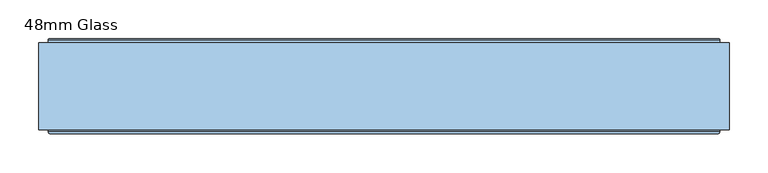
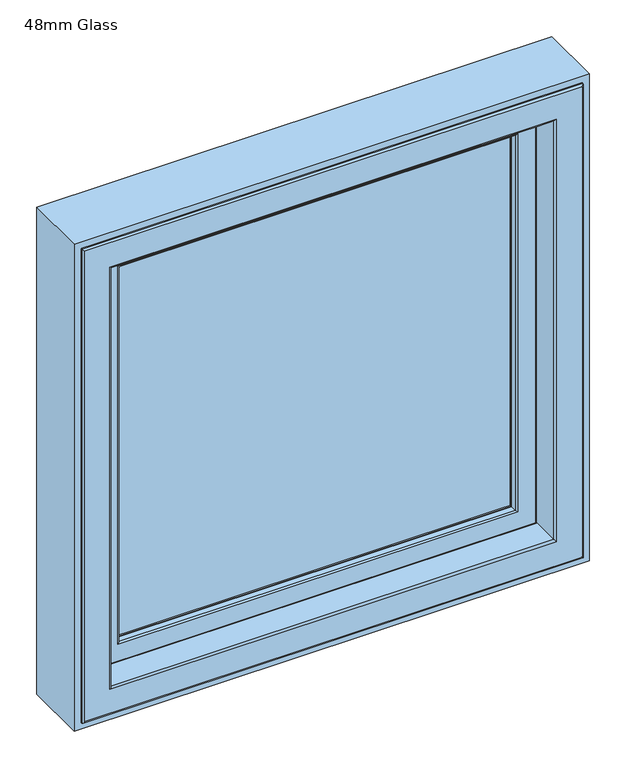
"""IFC4 building model written with IfcOpenShell, lengths in millimetres: window geometry, 48mm Glass."""

from ifc_helpers import new_model, si_unit, frame, origin, place, context, project, spatial, polyline, ellipse_curve, outline, extrude, source, transform, mapped, element, save
from ifc_brep_helpers import plane_surface, cylinder_surface, revolved_surface, advanced_brep


def window_48mm_glass_2d5801c3(model_context):
    return source(origin(), model_context, "Body", "SolidModel", [
        extrude(outline(polyline([(354.0, -35.9889902), (-354.0, -35.9889902), (-354.0, 12.0110098), (354.0, 12.0110098), (354.0, -35.9889902)])), frame((0.0, 0.0, 890.0), z_axis=(0.0, 0.0, 1.0), x_axis=(1.0, 0.0, 0.0)), (0.0, 0.0, 1.0), 708.0),
        advanced_brep(
        [(396.5, 19.6168436, 1640.5), (396.5, 16.5999985, 1640.5), (396.5, 16.5999985, 847.5), (396.5, 19.6168436, 847.5), (399.0, 24.0, 1643.0), (400.0, 23.0, 1644.0), (400.0, 23.0, 844.0), (399.0, 24.0, 845.0), (340.0012615, 12.0, 1584.0012615), (340.0012615, 13.3599713, 1584.0012615), (340.0012615, 13.3599713, 903.9987385), (340.0012615, 12.0, 903.9987385), (358.3697055, -35.9889902, 1602.3697055), (364.2620126, 12.0, 1608.2620126), (364.2620126, 12.0, 879.7379874), (358.3697055, -35.9889902, 885.6302945), (340.0013518, -38.9889902, 1584.0013518), (340.0013518, -35.9889902, 1584.0013518), (340.0013518, -35.9889902, 903.9986482), (340.0013518, -38.9889902, 903.9986482), (340.0232044, -40.1969018, 1584.0232044), (341.001352, -38.9889902, 1585.001352), (341.001352, -38.9889902, 902.998648), (340.0232044, -40.1969018, 903.9767956), (341.8120427, -48.623735, 1585.8120427), (341.8120427, -48.623735, 902.1879573), (344.7464855, -51.0, 1588.7464855), (344.7464855, -51.0, 899.2535145), (377.5618051, -49.2437387, 1621.5618051), (375.5767128, -51.0, 1619.5767128), (375.5767128, -51.0, 868.4232872), (377.5618051, -49.2437387, 866.4381949), (379.5562854, -33.0, 1623.5562854), (379.5562854, -33.0, 864.4437146), (391.0, 16.5999985, 1635.0), (391.0, -33.0, 1635.0), (391.0, -33.0, 853.0), (391.0, 16.5999985, 853.0), (-396.5, 16.5999985, 847.5), (-396.5, 19.6168436, 847.5), (-400.0, 23.0, 844.0), (-399.0, 24.0, 845.0), (-340.0012615, 13.3599713, 903.9987385), (-340.0012615, 12.0, 903.9987385), (-364.2620126, 12.0, 879.7379874), (-358.3697055, -35.9889902, 885.6302945), (-340.0013518, -35.9889902, 903.9986482), (-340.0013518, -38.9889902, 903.9986482), (-341.001352, -38.9889902, 902.998648), (-340.0232044, -40.1969018, 903.9767956), (-341.8120427, -48.623735, 902.1879573), (-344.7464855, -51.0, 899.2535145), (-375.5767128, -51.0, 868.4232872), (-377.5618051, -49.2437387, 866.4381949), (-379.5562854, -33.0, 864.4437146), (-391.0, -33.0, 853.0), (-391.0, 16.5999985, 853.0), (-396.5, 16.5999985, 1640.5), (-396.5, 19.6168436, 1640.5), (-400.0, 23.0, 1644.0), (-399.0, 24.0, 1643.0), (-340.0012615, 13.3599713, 1584.0012615), (-340.0012615, 12.0, 1584.0012615), (-364.2620126, 12.0, 1608.2620126), (-358.3697055, -35.9889902, 1602.3697055), (-340.0013518, -35.9889902, 1584.0013518), (-340.0013518, -38.9889902, 1584.0013518), (-341.001352, -38.9889902, 1585.001352), (-340.0232044, -40.1969018, 1584.0232044), (-341.8120427, -48.623735, 1585.8120427), (-344.7464855, -51.0, 1588.7464855), (-375.5767128, -51.0, 1619.5767128), (-377.5618051, -49.2437387, 1621.5618051), (-379.5562854, -33.0, 1623.5562854), (-391.0, -33.0, 1635.0), (-391.0, 16.5999985, 1635.0), (406.1997151, 20.6865589, 837.8002849), (-406.1997151, 20.6865589, 837.8002849), (-406.1997151, 20.6865589, 1650.1997151), (406.1997151, 20.6865589, 1650.1997151), (400.0, 20.6865589, 1644.0), (-400.0, 20.6865589, 1644.0), (-400.0, 20.6865589, 844.0), (400.0, 20.6865589, 844.0), (406.1997151, 19.6168436, 1650.1997151), (406.1997151, 19.6168436, 837.8002849), (-406.1997151, 19.6168436, 837.8002849), (-406.1997151, 19.6168436, 1650.1997151), (342.8249234, 22.5957532, 1586.8249234), (344.5279664, 24.0, 1588.5279664), (344.5279664, 24.0, 899.4720336), (342.8249234, 22.5957532, 901.1750766), (-344.5279664, 24.0, 899.4720336), (-342.8249234, 22.5957532, 901.1750766), (-344.5279664, 24.0, 1588.5279664), (-342.8249234, 22.5957532, 1586.8249234)],
        [
            (0, 1),
            (1, 2),
            (2, 3),
            (3, 0),
            (4, 5, ellipse_curve(frame((399.0, 23.0, 1643.0), z_axis=(0.7071067811865475, 0.0, -0.7071067811865475), x_axis=(0.7071067811865474, 0.0, 0.7071067811865476)), 1.4142136, 1.0)),
            (5, 6),
            (6, 7, ellipse_curve(frame((399.0, 23.0, 845.0), z_axis=(0.7071067811865475, 0.0, 0.7071067811865475), x_axis=(-0.7071067811865474, 0.0, 0.7071067811865476)), 1.4142136, 1.0)),
            (7, 4),
            (8, 9),
            (9, 10),
            (10, 11),
            (11, 8),
            (12, 13),
            (13, 14),
            (14, 15),
            (15, 12),
            (16, 17),
            (17, 18),
            (18, 19),
            (19, 16),
            (20, 21, ellipse_curve(frame((341.001352, -39.9889902, 1585.001352), z_axis=(0.7071067811865475, 0.0, -0.7071067811865475), x_axis=(0.7071067811865474, 0.0, 0.7071067811865476)), 1.4142136, 1.0)),
            (21, 22),
            (22, 23, ellipse_curve(frame((341.001352, -39.9889902, 902.998648), z_axis=(0.7071067811865475, 0.0, 0.7071067811865475), x_axis=(-0.7071067811865474, 0.0, 0.7071067811865476)), 1.4142136, 1.0)),
            (23, 20),
            (24, 20),
            (23, 25),
            (25, 24),
            (26, 24, ellipse_curve(frame((344.7464855, -48.0, 1588.7464855), z_axis=(0.7071067811865475, 0.0, -0.7071067811865475), x_axis=(0.7071067811865474, 0.0, 0.7071067811865476)), 4.2426407, 3.0)),
            (25, 27, ellipse_curve(frame((344.7464855, -48.0, 899.2535145), z_axis=(0.7071067811865475, 0.0, 0.7071067811865475), x_axis=(-0.7071067811865474, 0.0, 0.7071067811865476)), 4.2426407, 3.0)),
            (27, 26),
            (28, 29, ellipse_curve(frame((375.5767128, -49.0, 1619.5767128), z_axis=(0.7071067811865475, 0.0, -0.7071067811865475), x_axis=(0.7071067811865474, 0.0, 0.7071067811865476)), 2.8284271, 2.0)),
            (29, 30),
            (30, 31, ellipse_curve(frame((375.5767128, -49.0, 868.4232872), z_axis=(0.7071067811865475, 0.0, 0.7071067811865475), x_axis=(-0.7071067811865474, 0.0, 0.7071067811865476)), 2.8284271, 2.0)),
            (31, 28),
            (32, 28),
            (31, 33),
            (33, 32),
            (34, 35),
            (35, 36),
            (36, 37),
            (37, 34),
            (2, 38),
            (38, 39),
            (39, 3),
            (6, 40),
            (40, 41, ellipse_curve(frame((-399.0, 23.0, 845.0), z_axis=(0.7071067811865475, 0.0, -0.7071067811865475), x_axis=(0.7071067811865476, 0.0, 0.7071067811865474)), 1.4142136, 1.0)),
            (41, 7),
            (10, 42),
            (42, 43),
            (43, 11),
            (14, 44),
            (44, 45),
            (45, 15),
            (18, 46),
            (46, 47),
            (47, 19),
            (22, 48),
            (48, 49, ellipse_curve(frame((-341.001352, -39.9889902, 902.998648), z_axis=(0.7071067811865475, 0.0, -0.7071067811865475), x_axis=(0.7071067811865476, 0.0, 0.7071067811865474)), 1.4142136, 1.0)),
            (49, 23),
            (49, 50),
            (50, 25),
            (50, 51, ellipse_curve(frame((-344.7464855, -48.0, 899.2535145), z_axis=(0.7071067811865475, 0.0, -0.7071067811865475), x_axis=(0.7071067811865476, 0.0, 0.7071067811865474)), 4.2426407, 3.0)),
            (51, 27),
            (30, 52),
            (52, 53, ellipse_curve(frame((-375.5767128, -49.0, 868.4232872), z_axis=(0.7071067811865475, 0.0, -0.7071067811865475), x_axis=(0.7071067811865476, 0.0, 0.7071067811865474)), 2.8284271, 2.0)),
            (53, 31),
            (53, 54),
            (54, 33),
            (36, 55),
            (55, 56),
            (56, 37),
            (38, 57),
            (57, 58),
            (58, 39),
            (40, 59),
            (59, 60, ellipse_curve(frame((-399.0, 23.0, 1643.0), z_axis=(-0.7071067811865475, 0.0, -0.7071067811865475), x_axis=(0.7071067811865474, 0.0, -0.7071067811865476)), 1.4142136, 1.0)),
            (60, 41),
            (42, 61),
            (61, 62),
            (62, 43),
            (44, 63),
            (63, 64),
            (64, 45),
            (46, 65),
            (65, 66),
            (66, 47),
            (48, 67),
            (67, 68, ellipse_curve(frame((-341.001352, -39.9889902, 1585.001352), z_axis=(-0.7071067811865475, 0.0, -0.7071067811865475), x_axis=(0.7071067811865474, 0.0, -0.7071067811865476)), 1.4142136, 1.0)),
            (68, 49),
            (68, 69),
            (69, 50),
            (69, 70, ellipse_curve(frame((-344.7464855, -48.0, 1588.7464855), z_axis=(-0.7071067811865475, 0.0, -0.7071067811865475), x_axis=(0.7071067811865474, 0.0, -0.7071067811865476)), 4.2426407, 3.0)),
            (70, 51),
            (52, 71),
            (71, 72, ellipse_curve(frame((-375.5767128, -49.0, 1619.5767128), z_axis=(-0.7071067811865475, 0.0, -0.7071067811865475), x_axis=(0.7071067811865474, 0.0, -0.7071067811865476)), 2.8284271, 2.0)),
            (72, 53),
            (72, 73),
            (73, 54),
            (55, 74),
            (74, 75),
            (75, 56),
            (1, 57),
            (75, 34),
            (0, 58),
            (76, 77),
            (77, 78),
            (78, 79),
            (79, 76),
            (80, 81),
            (81, 82),
            (82, 83),
            (83, 80),
            (59, 5),
            (4, 60),
            (61, 9),
            (8, 62),
            (13, 63),
            (12, 64),
            (17, 65),
            (16, 66),
            (21, 67),
            (20, 68),
            (24, 69),
            (26, 70),
            (29, 71),
            (28, 72),
            (32, 73),
            (35, 74),
            (79, 84),
            (84, 85),
            (85, 76),
            (5, 80),
            (83, 6),
            (85, 86),
            (86, 77),
            (82, 40),
            (86, 87),
            (87, 78),
            (81, 59),
            (84, 87),
            (88, 89, ellipse_curve(frame((344.7375329, 22.0110098, 1588.7375329), z_axis=(0.7071067811865475, 0.0, -0.7071067811865475), x_axis=(0.7071067811865474, 0.0, 0.7071067811865476)), 2.8284271, 2.0)),
            (89, 90),
            (90, 91, ellipse_curve(frame((344.7375329, 22.0110098, 899.2624671), z_axis=(0.7071067811865475, 0.0, 0.7071067811865475), x_axis=(-0.7071067811865474, 0.0, 0.7071067811865476)), 2.8284271, 2.0)),
            (91, 88),
            (9, 88),
            (91, 10),
            (90, 92),
            (92, 93, ellipse_curve(frame((-344.7375329, 22.0110098, 899.2624671), z_axis=(0.7071067811865475, 0.0, -0.7071067811865475), x_axis=(0.7071067811865476, 0.0, 0.7071067811865474)), 2.8284271, 2.0)),
            (93, 91),
            (93, 42),
            (92, 94),
            (94, 95, ellipse_curve(frame((-344.7375329, 22.0110098, 1588.7375329), z_axis=(-0.7071067811865475, 0.0, -0.7071067811865475), x_axis=(0.7071067811865474, 0.0, -0.7071067811865476)), 2.8284271, 2.0)),
            (95, 93),
            (95, 61),
            (89, 94),
            (88, 95),
        ],
        [
            plane_surface(frame((396.5, 16.5999985, 1640.5), z_axis=(1.0, 0.0, 0.0), x_axis=(0.0, 0.0, -1.0))),
            cylinder_surface(frame((399.0, 23.0, 1635.0), z_axis=(0.0, 0.0, 1.0), x_axis=(0.0, -1.0, 0.0)), 1.0),
            plane_surface(frame((340.0012615, 13.3599713, 1584.0012615), z_axis=(-1.0, 0.0, 0.0), x_axis=(0.0, 0.0, -1.0))),
            plane_surface(frame((364.2620126, 12.0, 1608.2620126), z_axis=(-0.9925461516413232, 0.12186934340513839, 0.0), x_axis=(0.0, 0.0, -1.0))),
            plane_surface(frame((340.0013518, -35.9889902, 1584.0013518), z_axis=(-1.0, 0.0, 0.0), x_axis=(0.0, 0.0, -1.0))),
            cylinder_surface(frame((341.001352, -39.9889902, 1635.0), z_axis=(0.0, 0.0, 1.0), x_axis=(0.0, -1.0, 0.0)), 1.0),
            plane_surface(frame((340.0232044, -40.1969018, 1584.0232044), z_axis=(-0.9782028159557521, -0.2076517538000511, 0.0), x_axis=(0.0, 0.0, -1.0))),
            cylinder_surface(frame((344.7464855, -48.0, 1635.0), z_axis=(0.0, 0.0, 1.0), x_axis=(0.0, -1.0, 0.0)), 3.0),
            cylinder_surface(frame((375.5767128, -49.0, 1635.0), z_axis=(0.0, 0.0, 1.0), x_axis=(0.0, -1.0, 0.0)), 2.0),
            plane_surface(frame((377.5618051, -49.2437387, 1621.5618051), z_axis=(0.9925461516416152, -0.12186934340276044, 0.0), x_axis=(0.0, 0.0, -1.0))),
            plane_surface(frame((391.0, -33.0, 1635.0), z_axis=(1.0, 0.0, 0.0), x_axis=(0.0, 0.0, -1.0))),
            plane_surface(frame((396.5, 16.5999985, 847.5), z_axis=(0.0, 0.0, -1.0), x_axis=(-1.0, 0.0, 0.0))),
            cylinder_surface(frame((391.0, 23.0, 845.0), z_axis=(1.0, 0.0, 0.0), x_axis=(0.0, -1.0, 0.0)), 1.0),
            plane_surface(frame((340.0012615, 13.3599713, 903.9987385), z_axis=(0.0, 0.0, 1.0), x_axis=(-1.0, 0.0, 0.0))),
            plane_surface(frame((364.2620126, 12.0, 879.7379874), z_axis=(0.0, 0.12186934340513839, 0.9925461516413232), x_axis=(-1.0, 0.0, 0.0))),
            plane_surface(frame((340.0013518, -35.9889902, 903.9986482), z_axis=(0.0, 0.0, 1.0), x_axis=(-1.0, 0.0, 0.0))),
            cylinder_surface(frame((391.0, -39.9889902, 902.998648), z_axis=(1.0, 0.0, 0.0), x_axis=(0.0, -1.0, 0.0)), 1.0),
            plane_surface(frame((340.0232044, -40.1969018, 903.9767956), z_axis=(0.0, -0.2076517538000511, 0.9782028159557521), x_axis=(-1.0, 0.0, 0.0))),
            cylinder_surface(frame((391.0, -48.0, 899.2535145), z_axis=(1.0, 0.0, 0.0), x_axis=(0.0, -1.0, 0.0)), 3.0),
            cylinder_surface(frame((391.0, -49.0, 868.4232872), z_axis=(1.0, 0.0, 0.0), x_axis=(0.0, -1.0, 0.0)), 2.0),
            plane_surface(frame((377.5618051, -49.2437387, 866.4381949), z_axis=(0.0, -0.12186934340276044, -0.9925461516416152), x_axis=(-1.0, 0.0, 0.0))),
            plane_surface(frame((391.0, -33.0, 853.0), z_axis=(0.0, 0.0, -1.0), x_axis=(-1.0, 0.0, 0.0))),
            plane_surface(frame((-396.5, 16.5999985, 847.5), z_axis=(-1.0, 0.0, 0.0), x_axis=(0.0, 0.0, 1.0))),
            cylinder_surface(frame((-399.0, 23.0, 853.0), z_axis=(0.0, 0.0, -1.0), x_axis=(0.0, -1.0, 0.0)), 1.0),
            plane_surface(frame((-340.0012615, 13.3599713, 903.9987385), z_axis=(1.0, 0.0, 0.0), x_axis=(0.0, 0.0, 1.0))),
            plane_surface(frame((-364.2620126, 12.0, 879.7379874), z_axis=(0.9925461516413232, 0.12186934340513839, 0.0), x_axis=(0.0, 0.0, 1.0))),
            plane_surface(frame((-340.0013518, -35.9889902, 903.9986482), z_axis=(1.0, 0.0, 0.0), x_axis=(0.0, 0.0, 1.0))),
            cylinder_surface(frame((-341.001352, -39.9889902, 853.0), z_axis=(0.0, 0.0, -1.0), x_axis=(0.0, -1.0, 0.0)), 1.0),
            plane_surface(frame((-340.0232044, -40.1969018, 903.9767956), z_axis=(0.9782028159557521, -0.2076517538000511, 0.0), x_axis=(0.0, 0.0, 1.0))),
            cylinder_surface(frame((-344.7464855, -48.0, 853.0), z_axis=(0.0, 0.0, -1.0), x_axis=(0.0, -1.0, 0.0)), 3.0),
            cylinder_surface(frame((-375.5767128, -49.0, 853.0), z_axis=(0.0, 0.0, -1.0), x_axis=(0.0, -1.0, 0.0)), 2.0),
            plane_surface(frame((-377.5618051, -49.2437387, 866.4381949), z_axis=(-0.9925461516416152, -0.12186934340276044, 0.0), x_axis=(0.0, 0.0, 1.0))),
            plane_surface(frame((-391.0, -33.0, 853.0), z_axis=(-1.0, 0.0, 0.0), x_axis=(0.0, 0.0, 1.0))),
            plane_surface(frame((-391.0, 16.5999985, 1635.0), z_axis=(0.0, -1.0, 0.0), x_axis=(1.0, 0.0, 0.0))),
            plane_surface(frame((-396.5, 16.5999985, 1640.5), z_axis=(0.0, 0.0, 1.0), x_axis=(1.0, 0.0, 0.0))),
            plane_surface(frame((-406.1997151, 20.6865589, 1650.1997151), z_axis=(0.0, 1.0, 0.0), x_axis=(1.0, 0.0, 0.0))),
            cylinder_surface(frame((-391.0, 23.0, 1643.0), z_axis=(-1.0, 0.0, 0.0), x_axis=(0.0, -1.0, 0.0)), 1.0),
            plane_surface(frame((-340.0012615, 13.3599713, 1584.0012615), z_axis=(0.0, 0.0, -1.0), x_axis=(1.0, 0.0, 0.0))),
            plane_surface(frame((-340.0012615, 12.0, 1584.0012615), z_axis=(0.0, -1.0, 0.0), x_axis=(1.0, 0.0, 0.0))),
            plane_surface(frame((-364.2620126, 12.0, 1608.2620126), z_axis=(0.0, 0.12186934340513839, -0.9925461516413232), x_axis=(1.0, 0.0, 0.0))),
            plane_surface(frame((-358.3697055, -35.9889902, 1602.3697055), z_axis=(0.0, 1.0, 0.0), x_axis=(1.0, 0.0, 0.0))),
            plane_surface(frame((-340.0013518, -35.9889902, 1584.0013518), z_axis=(0.0, 0.0, -1.0), x_axis=(1.0, 0.0, 0.0))),
            plane_surface(frame((-340.0013518, -38.9889902, 1584.0013518), z_axis=(0.0, -1.0, 0.0), x_axis=(1.0, 0.0, 0.0))),
            cylinder_surface(frame((-391.0, -39.9889902, 1585.001352), z_axis=(-1.0, 0.0, 0.0), x_axis=(0.0, -1.0, 0.0)), 1.0),
            plane_surface(frame((-340.0232044, -40.1969018, 1584.0232044), z_axis=(0.0, -0.2076517538000511, -0.9782028159557521), x_axis=(1.0, 0.0, 0.0))),
            cylinder_surface(frame((-391.0, -48.0, 1588.7464855), z_axis=(-1.0, 0.0, 0.0), x_axis=(0.0, -1.0, 0.0)), 3.0),
            plane_surface(frame((-344.7464855, -51.0, 1588.7464855), z_axis=(0.0, -1.0, 0.0), x_axis=(1.0, 0.0, 0.0))),
            cylinder_surface(frame((-391.0, -49.0, 1619.5767128), z_axis=(-1.0, 0.0, 0.0), x_axis=(0.0, -1.0, 0.0)), 2.0),
            plane_surface(frame((-377.5618051, -49.2437387, 1621.5618051), z_axis=(0.0, -0.12186934340276044, 0.9925461516416152), x_axis=(1.0, 0.0, 0.0))),
            plane_surface(frame((-379.5562854, -33.0, 1623.5562854), z_axis=(0.0, -1.0, 0.0), x_axis=(1.0, 0.0, 0.0))),
            plane_surface(frame((-391.0, -33.0, 1635.0), z_axis=(0.0, 0.0, 1.0), x_axis=(1.0, 0.0, 0.0))),
            plane_surface(frame((406.1997151, 19.6168436, 1650.1997151), z_axis=(1.0, 0.0, 0.0), x_axis=(0.0, 0.0, -1.0))),
            plane_surface(frame((400.0, 20.6865589, 1644.0), z_axis=(1.0, 0.0, 0.0), x_axis=(0.0, 0.0, -1.0))),
            plane_surface(frame((406.1997151, 19.6168436, 837.8002849), z_axis=(0.0, 0.0, -1.0), x_axis=(-1.0, 0.0, 0.0))),
            plane_surface(frame((400.0, 20.6865589, 844.0), z_axis=(0.0, 0.0, -1.0), x_axis=(-1.0, 0.0, 0.0))),
            plane_surface(frame((-406.1997151, 19.6168436, 837.8002849), z_axis=(-1.0, 0.0, 0.0), x_axis=(0.0, 0.0, 1.0))),
            plane_surface(frame((-400.0, 20.6865589, 844.0), z_axis=(-1.0, 0.0, 0.0), x_axis=(0.0, 0.0, 1.0))),
            plane_surface(frame((-396.5, 19.6168436, 1640.5), z_axis=(0.0, -1.0, 0.0), x_axis=(1.0, 0.0, 0.0))),
            plane_surface(frame((-406.1997151, 19.6168436, 1650.1997151), z_axis=(0.0, 0.0, 1.0), x_axis=(1.0, 0.0, 0.0))),
            plane_surface(frame((-400.0, 20.6865589, 1644.0), z_axis=(0.0, 0.0, 1.0), x_axis=(1.0, 0.0, 0.0))),
            cylinder_surface(frame((344.7375329, 22.0110098, 1635.0), z_axis=(0.0, 0.0, 1.0), x_axis=(0.0, -1.0, 0.0)), 2.0),
            plane_surface(frame((342.8249234, 22.5957532, 1586.8249234), z_axis=(-0.9563047559630313, 0.2923717047227505, 0.0), x_axis=(0.0, 0.0, -1.0))),
            cylinder_surface(frame((391.0, 22.0110098, 899.2624671), z_axis=(1.0, 0.0, 0.0), x_axis=(0.0, -1.0, 0.0)), 2.0),
            plane_surface(frame((342.8249234, 22.5957532, 901.1750766), z_axis=(0.0, 0.2923717047227505, 0.9563047559630313), x_axis=(-1.0, 0.0, 0.0))),
            cylinder_surface(frame((-344.7375329, 22.0110098, 853.0), z_axis=(0.0, 0.0, -1.0), x_axis=(0.0, -1.0, 0.0)), 2.0),
            plane_surface(frame((-342.8249234, 22.5957532, 901.1750766), z_axis=(0.9563047559630313, 0.2923717047227505, 0.0), x_axis=(0.0, 0.0, 1.0))),
            plane_surface(frame((-399.0, 24.0, 1643.0), z_axis=(0.0, 1.0, 0.0), x_axis=(1.0, 0.0, 0.0))),
            cylinder_surface(frame((-391.0, 22.0110098, 1588.7375329), z_axis=(-1.0, 0.0, 0.0), x_axis=(0.0, -1.0, 0.0)), 2.0),
            plane_surface(frame((-342.8249234, 22.5957532, 1586.8249234), z_axis=(0.0, 0.2923717047227505, -0.9563047559630313), x_axis=(1.0, 0.0, 0.0))),
        ],
        [
            (0, [[1, 2, 3, 4]]),
            (1, [[5, 6, 7, 8]]),
            (2, [[9, 10, 11, 12]]),
            (3, [[13, 14, 15, 16]]),
            (4, [[17, 18, 19, 20]]),
            (5, [[21, 22, 23, 24]]),
            (6, [[25, -24, 26, 27]]),
            (7, [[28, -27, 29, 30]]),
            (8, [[31, 32, 33, 34]]),
            (9, [[35, -34, 36, 37]]),
            (10, [[38, 39, 40, 41]]),
            (11, [[-3, 42, 43, 44]]),
            (12, [[-7, 45, 46, 47]]),
            (13, [[-11, 48, 49, 50]]),
            (14, [[-15, 51, 52, 53]]),
            (15, [[-19, 54, 55, 56]]),
            (16, [[-23, 57, 58, 59]]),
            (17, [[-26, -59, 60, 61]]),
            (18, [[-29, -61, 62, 63]]),
            (19, [[-33, 64, 65, 66]]),
            (20, [[-36, -66, 67, 68]]),
            (21, [[-40, 69, 70, 71]]),
            (22, [[-43, 72, 73, 74]]),
            (23, [[-46, 75, 76, 77]]),
            (24, [[-49, 78, 79, 80]]),
            (25, [[-52, 81, 82, 83]]),
            (26, [[-55, 84, 85, 86]]),
            (27, [[-58, 87, 88, 89]]),
            (28, [[-60, -89, 90, 91]]),
            (29, [[-62, -91, 92, 93]]),
            (30, [[-65, 94, 95, 96]]),
            (31, [[-67, -96, 97, 98]]),
            (32, [[-70, 99, 100, 101]]),
            (33, [[102, -72, -42, -2], [-71, -101, 103, -41]]),
            (34, [[-73, -102, -1, 104]]),
            (35, [[105, 106, 107, 108], [109, 110, 111, 112]]),
            (36, [[-76, 113, -5, 114]]),
            (37, [[-79, 115, -9, 116]]),
            (38, [[117, -81, -51, -14], [-50, -80, -116, -12]]),
            (39, [[-82, -117, -13, 118]]),
            (40, [[-53, -83, -118, -16], [119, -84, -54, -18]]),
            (41, [[-85, -119, -17, 120]]),
            (42, [[121, -87, -57, -22], [-56, -86, -120, -20]]),
            (43, [[-88, -121, -21, 122]]),
            (44, [[-90, -122, -25, 123]]),
            (45, [[-92, -123, -28, 124]]),
            (46, [[125, -94, -64, -32], [-63, -93, -124, -30]]),
            (47, [[-95, -125, -31, 126]]),
            (48, [[-97, -126, -35, 127]]),
            (49, [[128, -99, -69, -39], [-68, -98, -127, -37]]),
            (50, [[-100, -128, -38, -103]]),
            (51, [[129, 130, 131, -108]]),
            (52, [[132, -112, 133, -6]]),
            (53, [[-131, 134, 135, -105]]),
            (54, [[-133, -111, 136, -45]]),
            (55, [[-135, 137, 138, -106]]),
            (56, [[-136, -110, 139, -75]]),
            (57, [[140, -137, -134, -130], [-44, -74, -104, -4]]),
            (58, [[-138, -140, -129, -107]]),
            (59, [[-139, -109, -132, -113]]),
            (60, [[141, 142, 143, 144]]),
            (61, [[145, -144, 146, -10]]),
            (62, [[-143, 147, 148, 149]]),
            (63, [[-146, -149, 150, -48]]),
            (64, [[-148, 151, 152, 153]]),
            (65, [[-150, -153, 154, -78]]),
            (66, [[-47, -77, -114, -8], [155, -151, -147, -142]]),
            (67, [[-152, -155, -141, 156]]),
            (68, [[-154, -156, -145, -115]]),
        ],
    ),
        advanced_brep(
        [(-383.5, -38.0, 1627.5), (-382.0, -39.5, 1626.0), (-382.0, -39.5, 862.0), (-383.5, -38.0, 860.5), (-382.0, -94.0, 1626.0), (-382.0, -94.0, 862.0), (382.0, -39.5, 862.0), (383.5, -38.0, 860.5), (398.6498733, -38.0, 1642.6498733), (398.6498733, -38.0, 845.3501267), (-398.6498733, -38.0, 845.3501267), (-398.6498733, -38.0, 1642.6498733), (383.5, -38.0, 1627.5), (-400.1386925, -36.682804, 1644.1386925), (-400.1386925, -36.682804, 843.8613075), (400.1386925, -36.682804, 843.8613075), (-406.7857488, 17.453125, 1650.7857488), (-406.7857488, 17.453125, 837.2142512), (406.7857488, 17.453125, 837.2142512), (407.6, 17.453125, 1651.6), (407.6, 17.453125, 836.4), (-407.6, 17.453125, 836.4), (-407.6, 17.453125, 1651.6), (406.7857488, 17.453125, 1650.7857488), (-407.6, 24.0, 1651.6), (-407.6, 24.0, 836.4), (407.6, 24.0, 836.4), (-408.6, 25.0, 1652.6), (-408.6, 25.0, 835.4), (408.6, 25.0, 835.4), (431.0, 25.0, 1675.0), (431.0, 25.0, 813.0), (-431.0, 25.0, 813.0), (-431.0, 25.0, 1675.0), (408.6, 25.0, 1652.6), (-432.0, 24.0, 1676.0), (-432.0, 24.0, 812.0), (432.0, 24.0, 812.0), (-432.0, -94.0, 1676.0), (-432.0, -94.0, 812.0), (432.0, -94.0, 812.0), (-429.0, -97.0, 1673.0), (-429.0, -97.0, 815.0), (429.0, -97.0, 815.0), (429.0, -97.0, 1673.0), (385.0, -97.0, 1629.0), (385.0, -97.0, 859.0), (-385.0, -97.0, 859.0), (-385.0, -97.0, 1629.0), (382.0, -94.0, 862.0), (382.0, -39.5, 1626.0), (400.1386925, -36.682804, 1644.1386925), (407.6, 24.0, 1651.6), (432.0, 24.0, 1676.0), (432.0, -94.0, 1676.0), (382.0, -94.0, 1626.0)],
        [
            (0, 1, ellipse_curve(frame((-383.5, -39.5, 1627.5), z_axis=(-0.7071067811865475, 0.0, -0.7071067811865475), x_axis=(-0.7071067811865474, 0.0, 0.7071067811865476)), 2.1213203, 1.5)),
            (1, 2),
            (2, 3, ellipse_curve(frame((-383.5, -39.5, 860.5), z_axis=(-0.7071067811865475, 0.0, 0.7071067811865475), x_axis=(0.7071067811865474, 0.0, 0.7071067811865476)), 2.1213203, 1.5)),
            (3, 0),
            (1, 4),
            (4, 5),
            (5, 2),
            (2, 6),
            (6, 7, ellipse_curve(frame((383.5, -39.5, 860.5), z_axis=(-0.7071067811865475, 0.0, -0.7071067811865475), x_axis=(-0.7071067811865476, 0.0, 0.7071067811865474)), 2.1213203, 1.5)),
            (7, 3),
            (8, 9),
            (9, 10),
            (10, 11),
            (11, 8),
            (7, 12),
            (12, 0),
            (13, 11, ellipse_curve(frame((-398.6498733, -36.5, 1642.6498733), z_axis=(0.7071067811865475, 0.0, 0.7071067811865475), x_axis=(0.7071067811865474, 0.0, -0.7071067811865476)), 2.1213203, 1.5)),
            (10, 14, ellipse_curve(frame((-398.6498733, -36.5, 845.3501267), z_axis=(0.7071067811865475, 0.0, -0.7071067811865475), x_axis=(-0.7071067811865474, 0.0, -0.7071067811865476)), 2.1213203, 1.5)),
            (14, 13),
            (9, 15, ellipse_curve(frame((398.6498733, -36.5, 845.3501267), z_axis=(0.7071067811865475, 0.0, 0.7071067811865475), x_axis=(0.7071067811865476, 0.0, -0.7071067811865474)), 2.1213203, 1.5)),
            (15, 14),
            (16, 13),
            (14, 17),
            (17, 16),
            (15, 18),
            (18, 17),
            (19, 20),
            (20, 21),
            (21, 22),
            (22, 19),
            (18, 23),
            (23, 16),
            (24, 22),
            (21, 25),
            (25, 24),
            (20, 26),
            (26, 25),
            (27, 24, ellipse_curve(frame((-408.6, 24.0, 1652.6), z_axis=(-0.7071067811865475, 0.0, -0.7071067811865475), x_axis=(-0.7071067811865474, 0.0, 0.7071067811865476)), 1.4142136, 1.0)),
            (25, 28, ellipse_curve(frame((-408.6, 24.0, 835.4), z_axis=(-0.7071067811865475, 0.0, 0.7071067811865475), x_axis=(0.7071067811865474, 0.0, 0.7071067811865476)), 1.4142136, 1.0)),
            (28, 27),
            (26, 29, ellipse_curve(frame((408.6, 24.0, 835.4), z_axis=(-0.7071067811865475, 0.0, -0.7071067811865475), x_axis=(-0.7071067811865476, 0.0, 0.7071067811865474)), 1.4142136, 1.0)),
            (29, 28),
            (30, 31),
            (31, 32),
            (32, 33),
            (33, 30),
            (29, 34),
            (34, 27),
            (35, 33, ellipse_curve(frame((-431.0, 24.0, 1675.0), z_axis=(-0.7071067811865475, 0.0, -0.7071067811865475), x_axis=(-0.7071067811865474, 0.0, 0.7071067811865476)), 1.4142136, 1.0)),
            (32, 36, ellipse_curve(frame((-431.0, 24.0, 813.0), z_axis=(-0.7071067811865475, 0.0, 0.7071067811865475), x_axis=(0.7071067811865474, 0.0, 0.7071067811865476)), 1.4142136, 1.0)),
            (36, 35),
            (31, 37, ellipse_curve(frame((431.0, 24.0, 813.0), z_axis=(-0.7071067811865475, 0.0, -0.7071067811865475), x_axis=(-0.7071067811865476, 0.0, 0.7071067811865474)), 1.4142136, 1.0)),
            (37, 36),
            (38, 35),
            (36, 39),
            (39, 38),
            (37, 40),
            (40, 39),
            (41, 38, ellipse_curve(frame((-429.0, -94.0, 1673.0), z_axis=(-0.7071067811865475, 0.0, -0.7071067811865475), x_axis=(-0.7071067811865474, 0.0, 0.7071067811865476)), 4.2426407, 3.0)),
            (39, 42, ellipse_curve(frame((-429.0, -94.0, 815.0), z_axis=(-0.7071067811865475, 0.0, 0.7071067811865475), x_axis=(0.7071067811865474, 0.0, 0.7071067811865476)), 4.2426407, 3.0)),
            (42, 41),
            (40, 43, ellipse_curve(frame((429.0, -94.0, 815.0), z_axis=(-0.7071067811865475, 0.0, -0.7071067811865475), x_axis=(-0.7071067811865476, 0.0, 0.7071067811865474)), 4.2426407, 3.0)),
            (43, 42),
            (43, 44),
            (44, 41),
            (45, 46),
            (46, 47),
            (47, 48),
            (48, 45),
            (4, 48, ellipse_curve(frame((-385.0, -94.0, 1629.0), z_axis=(-0.7071067811865475, 0.0, -0.7071067811865475), x_axis=(-0.7071067811865474, 0.0, 0.7071067811865476)), 4.2426407, 3.0)),
            (47, 5, ellipse_curve(frame((-385.0, -94.0, 859.0), z_axis=(-0.7071067811865475, 0.0, 0.7071067811865475), x_axis=(0.7071067811865474, 0.0, 0.7071067811865476)), 4.2426407, 3.0)),
            (46, 49, ellipse_curve(frame((385.0, -94.0, 859.0), z_axis=(-0.7071067811865475, 0.0, -0.7071067811865475), x_axis=(-0.7071067811865476, 0.0, 0.7071067811865474)), 4.2426407, 3.0)),
            (49, 5),
            (49, 6),
            (6, 50),
            (50, 12, ellipse_curve(frame((383.5, -39.5, 1627.5), z_axis=(0.7071067811865475, 0.0, -0.7071067811865475), x_axis=(-0.7071067811865474, 0.0, -0.7071067811865476)), 2.1213203, 1.5)),
            (8, 51, ellipse_curve(frame((398.6498733, -36.5, 1642.6498733), z_axis=(-0.7071067811865475, 0.0, 0.7071067811865475), x_axis=(0.7071067811865474, 0.0, 0.7071067811865476)), 2.1213203, 1.5)),
            (51, 15),
            (51, 23),
            (19, 52),
            (52, 26),
            (52, 34, ellipse_curve(frame((408.6, 24.0, 1652.6), z_axis=(0.7071067811865475, 0.0, -0.7071067811865475), x_axis=(-0.7071067811865474, 0.0, -0.7071067811865476)), 1.4142136, 1.0)),
            (30, 53, ellipse_curve(frame((431.0, 24.0, 1675.0), z_axis=(0.7071067811865475, 0.0, -0.7071067811865475), x_axis=(-0.7071067811865474, 0.0, -0.7071067811865476)), 1.4142136, 1.0)),
            (53, 37),
            (53, 54),
            (54, 40),
            (54, 44, ellipse_curve(frame((429.0, -94.0, 1673.0), z_axis=(0.7071067811865475, 0.0, -0.7071067811865475), x_axis=(-0.7071067811865474, 0.0, -0.7071067811865476)), 4.2426407, 3.0)),
            (45, 55, ellipse_curve(frame((385.0, -94.0, 1629.0), z_axis=(0.7071067811865475, 0.0, -0.7071067811865475), x_axis=(-0.7071067811865474, 0.0, -0.7071067811865476)), 4.2426407, 3.0)),
            (55, 49),
            (55, 50),
            (50, 1),
            (13, 51),
            (24, 52),
            (35, 53),
            (38, 54),
            (4, 55),
        ],
        [
            cylinder_surface(frame((-383.5, -39.5, 1688.0), z_axis=(0.0, 0.0, 1.0), x_axis=(0.0, 1.0, 0.0)), 1.5),
            plane_surface(frame((-382.0, -94.0, 1626.0), z_axis=(1.0, 0.0, 0.0), x_axis=(0.0, 0.0, -1.0))),
            cylinder_surface(frame((-444.0, -39.5, 860.5), z_axis=(-1.0, 0.0, 0.0), x_axis=(0.0, 1.0, 0.0)), 1.5),
            plane_surface(frame((383.5, -38.0, 860.5), z_axis=(0.0, 1.0, 0.0), x_axis=(0.0, 0.0, 1.0))),
            revolved_surface(polyline([(-398.6498733, -35.0, 843.8501267308013), (-398.6498733, -35.0, 1644.1498732691987)]), (-398.6498733, -36.5, 1688.0), (0.0, 0.0, -1.0)),
            revolved_surface(polyline([(400.1498732691988, -35.0, 845.3501267), (-400.1498732691987, -35.0, 845.3501267)]), (-444.0, -36.5, 845.3501267), (1.0, 0.0, 0.0)),
            plane_surface(frame((-400.1386925, -36.682804, 1644.1386925), z_axis=(0.9925461516413234, 0.12186934340513698, 0.0), x_axis=(0.0, 0.0, -1.0))),
            plane_surface(frame((-400.1386925, -36.682804, 843.8613075), z_axis=(0.0, 0.12186934340513698, 0.9925461516413234), x_axis=(1.0, 0.0, 0.0))),
            plane_surface(frame((406.7857488, 17.453125, 837.2142512), z_axis=(0.0, 1.0, 0.0), x_axis=(0.0, 0.0, 1.0))),
            plane_surface(frame((-407.6, 17.453125, 1651.6), z_axis=(1.0, 0.0, 0.0), x_axis=(0.0, 0.0, -1.0))),
            plane_surface(frame((-407.6, 17.453125, 836.4), z_axis=(0.0, 0.0, 1.0), x_axis=(1.0, 0.0, 0.0))),
            cylinder_surface(frame((-408.6, 24.0, 1688.0), z_axis=(0.0, 0.0, 1.0), x_axis=(0.0, 1.0, 0.0)), 1.0),
            cylinder_surface(frame((-444.0, 24.0, 835.4), z_axis=(-1.0, 0.0, 0.0), x_axis=(0.0, 1.0, 0.0)), 1.0),
            plane_surface(frame((408.6, 25.0, 835.4), z_axis=(0.0, 1.0, 0.0), x_axis=(0.0, 0.0, 1.0))),
            cylinder_surface(frame((-431.0, 24.0, 1688.0), z_axis=(0.0, 0.0, 1.0), x_axis=(0.0, 1.0, 0.0)), 1.0),
            cylinder_surface(frame((-444.0, 24.0, 813.0), z_axis=(-1.0, 0.0, 0.0), x_axis=(0.0, 1.0, 0.0)), 1.0),
            plane_surface(frame((-432.0, 24.0, 1676.0), z_axis=(-1.0, 0.0, 0.0), x_axis=(0.0, 0.0, -1.0))),
            plane_surface(frame((-432.0, 24.0, 812.0), z_axis=(0.0, 0.0, -1.0), x_axis=(1.0, 0.0, 0.0))),
            cylinder_surface(frame((-429.0, -94.0, 1688.0), z_axis=(0.0, 0.0, 1.0), x_axis=(0.0, 1.0, 0.0)), 3.0),
            cylinder_surface(frame((-444.0, -94.0, 815.0), z_axis=(-1.0, 0.0, 0.0), x_axis=(0.0, 1.0, 0.0)), 3.0),
            plane_surface(frame((429.0, -97.0, 815.0), z_axis=(0.0, -1.0, 0.0), x_axis=(0.0, 0.0, 1.0))),
            cylinder_surface(frame((-385.0, -94.0, 1688.0), z_axis=(0.0, 0.0, 1.0), x_axis=(0.0, 1.0, 0.0)), 3.0),
            cylinder_surface(frame((-444.0, -94.0, 859.0), z_axis=(-1.0, 0.0, 0.0), x_axis=(0.0, 1.0, 0.0)), 3.0),
            plane_surface(frame((-382.0, -94.0, 862.0), z_axis=(0.0, 0.0, 1.0), x_axis=(1.0, 0.0, 0.0))),
            cylinder_surface(frame((383.5, -39.5, 800.0), z_axis=(0.0, 0.0, -1.0), x_axis=(0.0, 1.0, 0.0)), 1.5),
            revolved_surface(polyline([(398.6498733, -35.0, 1644.149873269199), (398.6498733, -35.0, 843.8501267308013)]), (398.6498733, -36.5, 800.0), (0.0, 0.0, 1.0)),
            plane_surface(frame((400.1386925, -36.682804, 843.8613075), z_axis=(-0.9925461516413234, 0.12186934340513698, 0.0), x_axis=(0.0, 0.0, 1.0))),
            plane_surface(frame((407.6, 17.453125, 836.4), z_axis=(-1.0, 0.0, 0.0), x_axis=(0.0, 0.0, 1.0))),
            cylinder_surface(frame((408.6, 24.0, 800.0), z_axis=(0.0, 0.0, -1.0), x_axis=(0.0, 1.0, 0.0)), 1.0),
            cylinder_surface(frame((431.0, 24.0, 800.0), z_axis=(0.0, 0.0, -1.0), x_axis=(0.0, 1.0, 0.0)), 1.0),
            plane_surface(frame((432.0, 24.0, 812.0), z_axis=(1.0, 0.0, 0.0), x_axis=(0.0, 0.0, 1.0))),
            cylinder_surface(frame((429.0, -94.0, 800.0), z_axis=(0.0, 0.0, -1.0), x_axis=(0.0, 1.0, 0.0)), 3.0),
            cylinder_surface(frame((385.0, -94.0, 800.0), z_axis=(0.0, 0.0, -1.0), x_axis=(0.0, 1.0, 0.0)), 3.0),
            plane_surface(frame((382.0, -94.0, 862.0), z_axis=(-1.0, 0.0, 0.0), x_axis=(0.0, 0.0, 1.0))),
            cylinder_surface(frame((444.0, -39.5, 1627.5), z_axis=(1.0, 0.0, 0.0), x_axis=(0.0, 1.0, 0.0)), 1.5),
            revolved_surface(polyline([(-400.1498732691988, -35.0, 1642.6498733), (400.1498732691987, -35.0, 1642.6498733)]), (444.0, -36.5, 1642.6498733), (-1.0, 0.0, 0.0)),
            plane_surface(frame((400.1386925, -36.682804, 1644.1386925), z_axis=(0.0, 0.12186934340513698, -0.9925461516413234), x_axis=(-1.0, 0.0, 0.0))),
            plane_surface(frame((407.6, 17.453125, 1651.6), z_axis=(0.0, 0.0, -1.0), x_axis=(-1.0, 0.0, 0.0))),
            cylinder_surface(frame((444.0, 24.0, 1652.6), z_axis=(1.0, 0.0, 0.0), x_axis=(0.0, 1.0, 0.0)), 1.0),
            cylinder_surface(frame((444.0, 24.0, 1675.0), z_axis=(1.0, 0.0, 0.0), x_axis=(0.0, 1.0, 0.0)), 1.0),
            plane_surface(frame((432.0, 24.0, 1676.0), z_axis=(0.0, 0.0, 1.0), x_axis=(-1.0, 0.0, 0.0))),
            cylinder_surface(frame((444.0, -94.0, 1673.0), z_axis=(1.0, 0.0, 0.0), x_axis=(0.0, 1.0, 0.0)), 3.0),
            cylinder_surface(frame((444.0, -94.0, 1629.0), z_axis=(1.0, 0.0, 0.0), x_axis=(0.0, 1.0, 0.0)), 3.0),
            plane_surface(frame((382.0, -94.0, 1626.0), z_axis=(0.0, 0.0, -1.0), x_axis=(-1.0, 0.0, 0.0))),
        ],
        [
            (0, [[1, 2, 3, 4]]),
            (1, [[5, 6, 7, -2]]),
            (2, [[-3, 8, 9, 10]]),
            (3, [[11, 12, 13, 14], [-4, -10, 15, 16]]),
            (4, [[17, -13, 18, 19]]),
            (5, [[-18, -12, 20, 21]]),
            (6, [[22, -19, 23, 24]]),
            (7, [[-23, -21, 25, 26]]),
            (8, [[27, 28, 29, 30], [-24, -26, 31, 32]]),
            (9, [[33, -29, 34, 35]]),
            (10, [[-34, -28, 36, 37]]),
            (11, [[38, -35, 39, 40]]),
            (12, [[-39, -37, 41, 42]]),
            (13, [[43, 44, 45, 46], [-40, -42, 47, 48]]),
            (14, [[49, -45, 50, 51]]),
            (15, [[-50, -44, 52, 53]]),
            (16, [[54, -51, 55, 56]]),
            (17, [[-55, -53, 57, 58]]),
            (18, [[59, -56, 60, 61]]),
            (19, [[-60, -58, 62, 63]]),
            (20, [[-61, -63, 64, 65], [66, 67, 68, 69]]),
            (21, [[70, -68, 71, -6]]),
            (22, [[-71, -67, 72, 73]]),
            (23, [[-7, -73, 74, -8]]),
            (24, [[-9, 75, 76, -15]]),
            (25, [[-20, -11, 77, 78]]),
            (26, [[-25, -78, 79, -31]]),
            (27, [[-36, -27, 80, 81]]),
            (28, [[-41, -81, 82, -47]]),
            (29, [[-52, -43, 83, 84]]),
            (30, [[-57, -84, 85, 86]]),
            (31, [[-62, -86, 87, -64]]),
            (32, [[-72, -66, 88, 89]]),
            (33, [[-74, -89, 90, -75]]),
            (34, [[-76, 91, -1, -16]]),
            (35, [[-77, -14, -17, 92]]),
            (36, [[-79, -92, -22, -32]]),
            (37, [[-80, -30, -33, 93]]),
            (38, [[-82, -93, -38, -48]]),
            (39, [[-83, -46, -49, 94]]),
            (40, [[-85, -94, -54, 95]]),
            (41, [[-87, -95, -59, -65]]),
            (42, [[-88, -69, -70, 96]]),
            (43, [[-90, -96, -5, -91]]),
        ],
    ),
        extrude(outline(polyline([(1688.0, -444.0), (800.0, -444.0), (800.0, 444.0), (1688.0, 444.0), (1688.0, -444.0)]), holes=[polyline([(1676.0, 432.0), (812.0, 432.0), (812.0, -432.0), (1676.0, -432.0), (1676.0, 432.0)])]), frame((0.0, -92.0, 0.0), z_axis=(0.0, 1.0, 0.0), x_axis=(0.0, 0.0, 1.0)), (0.0, 0.0, 1.0), 112.0),
    ])


if __name__ == "__main__":
    model = new_model("IFC4")
    model_context = context("Model", 3, world=origin())
    ifc_project = project(units=[si_unit("LENGTHUNIT", "METRE", prefix="MILLI")], contexts=[model_context])
    site = spatial("IfcSite", under=ifc_project)
    building = spatial("IfcBuilding", under=site)
    placement = place(None, origin())
    window_48mm_glass_shape = window_48mm_glass_2d5801c3(model_context)
    element("IfcWindow", 1, ObjectType="48mm Glass", at=placement, inside=building, context=model_context, shape_type="MappedRepresentation", body=[
        mapped(window_48mm_glass_shape, transform((0.0, 0.0, 0.0), x_axis=(1.0, 0.0, 0.0), y_axis=(0.0, 1.0, 0.0), z_axis=(0.0, 0.0, 1.0))),
    ])
    save(model, "model.ifc")
